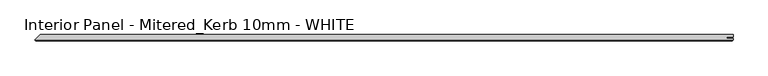
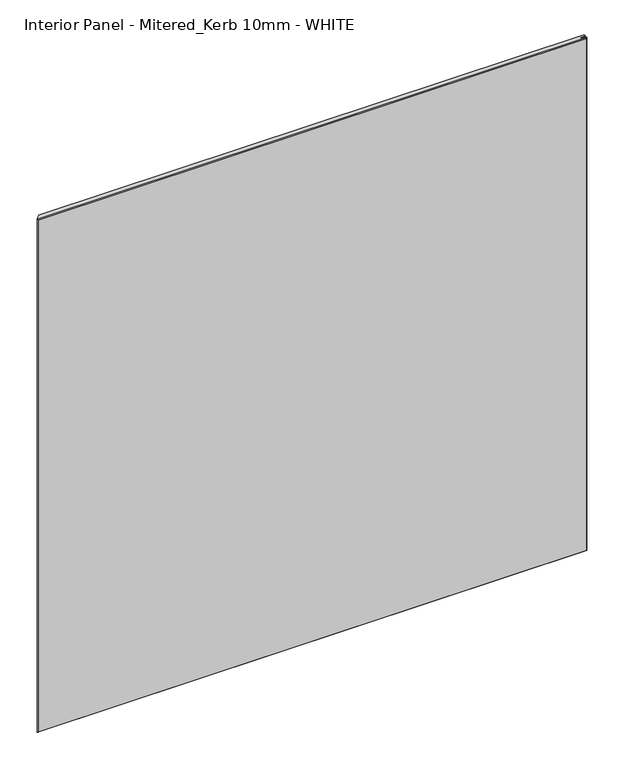
"""IFC4 building model written with IfcOpenShell, lengths in millimetres: proxy geometry, Interior Panel - Mitered_Kerb 10mm - WHITE."""

from ifc_helpers import new_model, si_unit, origin, place, context, project, spatial, faceted_brep, source, transform, mapped, element, save


def interior_panel_mitered_kerb_10mm_white_fb52e646(model_context):
    return source(origin(), model_context, "Body", "Brep", [
        faceted_brep([(1003.3, 3.175, 1063.625), (-65.0875, 3.175, 1063.625), (-73.025, -4.7625, 1063.625), (1003.3, -4.7625, 1063.625), (1003.3, -2.6543, 1063.625), (993.4773437, -2.6543, 1063.625), (993.4773437, -0.5207, 1063.625), (1003.3, -0.5207, 1063.625), (1003.3, 3.175, 0.0), (1003.3, -0.5207, 0.0), (993.4773437, -0.5207, 0.0), (993.4773437, -2.6543, 0.0), (1003.3, -2.6543, 0.0), (1003.3, -4.7625, 0.0), (-73.025, -4.7625, 0.0), (-65.0875, 3.175, 0.0), (-71.4375, -6.35, 1062.0375), (-71.4375, -6.35, 1.5875), (1001.7125, -6.35, 1.5875), (1001.7125, -6.35, 1062.0375)], [[[0, 1, 2, 3, 4, 5, 6, 7]], [[8, 9, 10, 11, 12, 13, 14, 15]], [[1, 0, 8, 15]], [[16, 17, 18, 19]], [[4, 3, 13, 12]], [[13, 3, 19, 18]], [[3, 2, 16, 19]], [[14, 13, 18, 17]], [[5, 4, 12, 11]], [[6, 5, 11, 10]], [[7, 6, 10, 9]], [[0, 7, 9, 8]], [[2, 1, 15, 14]], [[2, 14, 17, 16]]]),
    ])


if __name__ == "__main__":
    model = new_model("IFC4")
    model_context = context("Model", 3, world=origin())
    ifc_project = project(units=[si_unit("LENGTHUNIT", "METRE", prefix="MILLI")], contexts=[model_context])
    site = spatial("IfcSite", under=ifc_project)
    building = spatial("IfcBuilding", under=site)
    placement = place(None, origin())
    interior_panel_mitered_kerb_10mm_white_shape = interior_panel_mitered_kerb_10mm_white_fb52e646(model_context)
    element("IfcBuildingElementProxy", 1, Name="Interior Panel - Mitered_Kerb 10mm - WHITE", ObjectType="Interior Panel - Mitered_Kerb 10mm - WHITE", at=placement, inside=building, context=model_context, shape_type="MappedRepresentation", body=[
        mapped(interior_panel_mitered_kerb_10mm_white_shape, transform((0.0, 0.0, 0.0), x_axis=(1.0, 0.0, 0.0), y_axis=(0.0, 1.0, 0.0), z_axis=(0.0, 0.0, 1.0))),
    ])
    save(model, "model.ifc")
